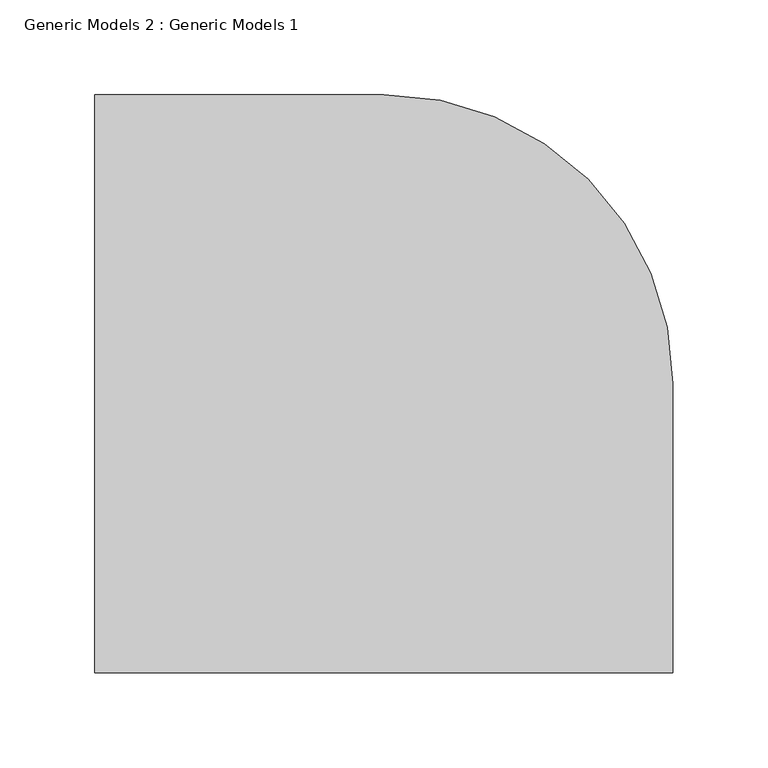
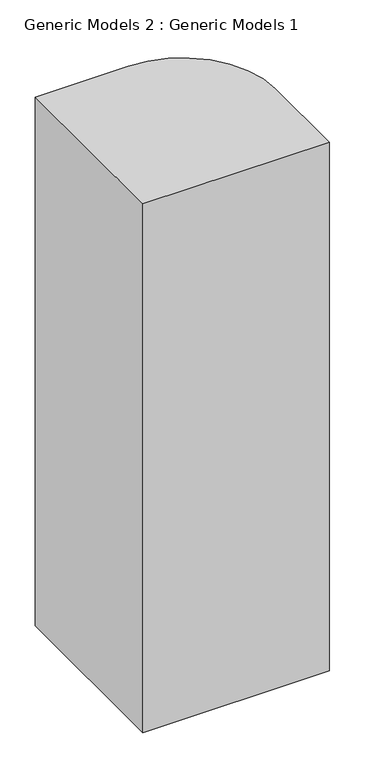
"""IFC4 building model written with IfcOpenShell, lengths in millimetres: proxy geometry, Generic Models 2 : Generic Models 1."""

from ifc_helpers import new_model, si_unit, point, origin, origin_with_axes, origin_2d, place, context, project, spatial, polyline, circle_curve, trimmed, segment, composite_curve, outline, extrude, source, transform, mapped, element, save


def generic_models_2_generic_models_1_d32eb6aa(model_context):
    return source(origin(), model_context, "Body", "SweptSolid", [
        extrude(outline(composite_curve([segment(polyline([(-152.4, 152.4), (0.0, 152.4)]), True, "CONTINUOUS"), segment(trimmed(circle_curve(origin_2d(), 152.4), [point((0.0, 152.4))], [point((152.4, 0.0))], False, "CARTESIAN"), True, "CONTINUOUS"), segment(polyline([(152.4, 0.0), (152.4, -152.4), (-152.4, -152.4), (-152.4, 152.4)]), True, "CONTINUOUS")], self_intersect=False)), origin_with_axes(), (0.0, 0.0, 1.0), 914.4),
    ])


if __name__ == "__main__":
    model = new_model("IFC4")
    model_context = context("Model", 3, world=origin())
    ifc_project = project(units=[si_unit("LENGTHUNIT", "METRE", prefix="MILLI")], contexts=[model_context])
    site = spatial("IfcSite", under=ifc_project)
    building = spatial("IfcBuilding", under=site)
    placement = place(None, origin())
    generic_models_2_generic_models_1_shape = generic_models_2_generic_models_1_d32eb6aa(model_context)
    element("IfcBuildingElementProxy", 1, Name="Generic Models 2 : Generic Models 1", ObjectType="Generic Models 2 : Generic Models 1", at=placement, inside=building, context=model_context, shape_type="MappedRepresentation", body=[
        mapped(generic_models_2_generic_models_1_shape, transform((0.0, 0.0, 0.0), x_axis=(1.0, 0.0, 0.0), y_axis=(0.0, 1.0, 0.0), z_axis=(0.0, 0.0, 1.0))),
    ])
    save(model, "model.ifc")
